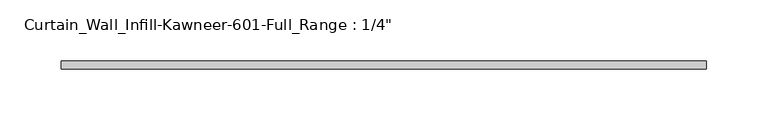
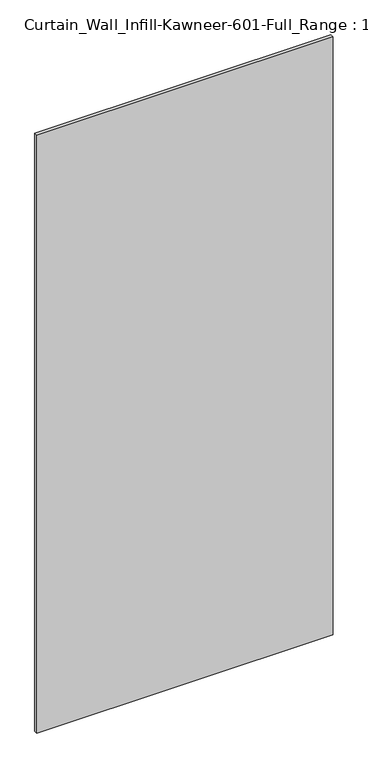
"""IFC4 building model written with IfcOpenShell, lengths in millimetres: plate geometry."""

from ifc_helpers import new_model, si_unit, origin, origin_with_axes, place, context, project, spatial, polyline, outline, extrude, source, transform, mapped, element, save


def plate_ad11f3a0(model_context):
    return source(origin(), model_context, "Body", "SweptSolid", [
        extrude(outline(polyline([(-263.525, 12.7), (263.525, 12.7), (263.525, 6.35), (-263.525, 6.35), (-263.525, 12.7)])), origin_with_axes(), (0.0, 0.0, 1.0), 1123.95),
    ])


if __name__ == "__main__":
    model = new_model("IFC4")
    model_context = context("Model", 3, world=origin())
    ifc_project = project(units=[si_unit("LENGTHUNIT", "METRE", prefix="MILLI")], contexts=[model_context])
    site = spatial("IfcSite", under=ifc_project)
    building = spatial("IfcBuilding", under=site)
    placement = place(None, origin())
    plate_shape = plate_ad11f3a0(model_context)
    element("IfcPlate", 1, ObjectType="Curtain_Wall_Infill-Kawneer-601-Full_Range : 1/4\"", at=placement, inside=building, context=model_context, shape_type="MappedRepresentation", body=[
        mapped(plate_shape, transform((0.0, 0.0, 0.0), x_axis=(1.0, 0.0, 0.0), y_axis=(0.0, 1.0, 0.0), z_axis=(0.0, 0.0, 1.0))),
    ])
    save(model, "model.ifc")
